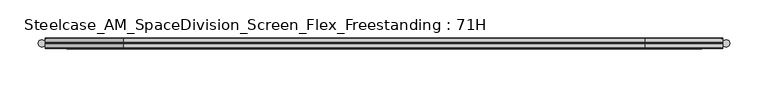
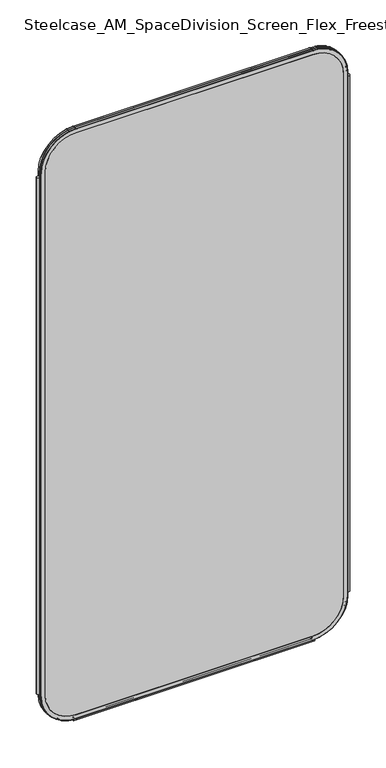
"""IFC4 building model written with IfcOpenShell, lengths in millimetres: furniture geometry, Steelcase_AM_SpaceDivision_Screen_Flex_Freestanding : 71H."""

import ifcopenshell
import ifcopenshell.guid

model = None  # the IFC model being written
_history = None  # IfcOwnerHistory: only IFC2X3 demands one
_inside = {}  # id of a spatial element -> (the spatial element, [elements in it])
_under = {}  # id of a project, library or spatial element -> (it, [spatial elements below it])
_declared = {}  # id of a project -> (the project, [libraries it declares])
_typed = {}  # id of a type object -> (the type object, [elements of that type])
_made_of = {}  # id of a material, layer set ... -> (it, [elements and type objects made of it])


def new_model(schema):
    """Start an empty IFC model of exactly this schema.

    Asked for "IFC4X3", IfcOpenShell would pick the latest addendum, in which some entities
    have other attributes; the version numbers below select the first issue.
    IFC2X3 requires an IfcOwnerHistory on every rooted entity: one is made here for all.
    """
    global model, _history
    if schema == "IFC4X3":
        model = ifcopenshell.file(schema_version=(4, 3, 0, 0))
    else:
        model = ifcopenshell.file(schema=schema)
    _inside.clear()
    _under.clear()
    _declared.clear()
    _typed.clear()
    _made_of.clear()
    _history = None
    if model.schema == "IFC2X3":
        org = make("IfcOrganization", Name="unknown")
        user = make(
            "IfcPersonAndOrganization",
            ThePerson=make("IfcPerson", FamilyName="unknown"),
            TheOrganization=org,
        )
        app = make(
            "IfcApplication",
            ApplicationDeveloper=org,
            Version="unknown",
            ApplicationFullName="unknown",
            ApplicationIdentifier="unknown",
        )
        _history = make(
            "IfcOwnerHistory",
            OwningUser=user,
            OwningApplication=app,
            ChangeAction="ADDED",
            CreationDate=0,
        )
    return model


def make(cls, **values):
    """One entity of the class cls with the attributes given. An attribute that is None is left unset."""
    return model.create_entity(
        cls, **{name: value for name, value in values.items() if value is not None}
    )


def rooted(cls, **values):
    """An entity with a GlobalId (a new one), such as an element, a storey or a relation."""
    return make(cls, GlobalId=ifcopenshell.guid.new(), OwnerHistory=_history, **values)


def si_unit(unit_type, name, prefix=None):
    """IfcSIUnit, for example si_unit("LENGTHUNIT", "METRE", prefix="MILLI")."""
    return make("IfcSIUnit", UnitType=unit_type, Prefix=prefix, Name=name)


def assignment(units):
    """IfcUnitAssignment: the units of a project."""
    return None if units is None else make("IfcUnitAssignment", Units=units)


def point(xyz):
    """IfcCartesianPoint."""
    return None if xyz is None else make("IfcCartesianPoint", Coordinates=xyz)


def direction(xyz):
    """IfcDirection."""
    return None if xyz is None else make("IfcDirection", DirectionRatios=xyz)


def frame(location, z_axis=None, x_axis=None):
    """IfcAxis2Placement3D, a coordinate frame: its origin and axes. An axis left out is left unset."""
    return make(
        "IfcAxis2Placement3D",
        Location=point(location),
        Axis=direction(z_axis),
        RefDirection=direction(x_axis),
    )


def frame_2d(location, x_axis=None):
    """IfcAxis2Placement2D, a coordinate frame in the plane: its origin and x axis."""
    return make(
        "IfcAxis2Placement2D", Location=point(location), RefDirection=direction(x_axis)
    )


def origin():
    """The frame at (0, 0, 0) with its axes left unset."""
    return frame((0.0, 0.0, 0.0))


def place(relative_to, where):
    """IfcLocalPlacement: puts the frame where relative to a parent placement (None: the world)."""
    return make(
        "IfcLocalPlacement", PlacementRelTo=relative_to, RelativePlacement=where
    )


def context(
    kind, dimensions, precision=None, world=None, true_north=None, identifier=None
):
    """IfcGeometricRepresentationContext, for example the 3D "Model" context."""
    return make(
        "IfcGeometricRepresentationContext",
        ContextIdentifier=identifier,
        ContextType=kind,
        CoordinateSpaceDimension=dimensions,
        Precision=precision,
        WorldCoordinateSystem=world,
        TrueNorth=true_north,
    )


def project(units=None, contexts=None):
    """IfcProject with its units and contexts."""
    return rooted(
        "IfcProject",
        Name="project",
        RepresentationContexts=contexts,
        UnitsInContext=assignment(units),
    )


def spatial(cls, under=None, at=None, **own):
    """A site, building, storey or space (cls), placed at a placement, below another one or the project."""
    s = rooted(cls, ObjectPlacement=at, **own)
    if under is not None:
        _under.setdefault(under.id(), (under, []))[1].append(s)
    return s


def polyline(points):
    """IfcPolyline through the points."""
    return make("IfcPolyline", Points=[point(p) for p in points])


def circle_curve(where, radius):
    """IfcCircle in the frame where."""
    return make("IfcCircle", Position=where, Radius=radius)


def ellipse_curve(where, semi_axis1, semi_axis2):
    """IfcEllipse in the frame where."""
    return make(
        "IfcEllipse", Position=where, SemiAxis1=semi_axis1, SemiAxis2=semi_axis2
    )


def trimmed(basis, trim1, trim2, sense, master):
    """IfcTrimmedCurve: the piece of a basis curve between two trims."""
    return make(
        "IfcTrimmedCurve",
        BasisCurve=basis,
        Trim1=trim1,
        Trim2=trim2,
        SenseAgreement=sense,
        MasterRepresentation=master,
    )


def segment(curve, same_sense, transition):
    """IfcCompositeCurveSegment."""
    return make(
        "IfcCompositeCurveSegment",
        Transition=transition,
        SameSense=same_sense,
        ParentCurve=curve,
    )


def composite_curve(segments, self_intersect=None):
    """IfcCompositeCurve: segments joined end to end."""
    return make("IfcCompositeCurve", Segments=segments, SelfIntersect=self_intersect)


def outline(outer, holes=None, kind="AREA"):
    """IfcArbitraryClosedProfileDef: a profile drawn as a closed curve; with holes, ...WithVoids."""
    if holes is None:
        return make("IfcArbitraryClosedProfileDef", ProfileType=kind, OuterCurve=outer)
    return make(
        "IfcArbitraryProfileDefWithVoids",
        ProfileType=kind,
        OuterCurve=outer,
        InnerCurves=holes,
    )


def extrude(swept, where, along, depth):
    """IfcExtrudedAreaSolid: the profile swept, set in the frame where, extruded along a direction by depth."""
    return make(
        "IfcExtrudedAreaSolid",
        SweptArea=swept,
        Position=where,
        ExtrudedDirection=direction(along),
        Depth=depth,
    )


def shape(context_of_items, identifier, shape_type, items):
    """IfcShapeRepresentation: the items that make up one representation, for example the "Body"."""
    return make(
        "IfcShapeRepresentation",
        ContextOfItems=context_of_items,
        RepresentationIdentifier=identifier,
        RepresentationType=shape_type,
        Items=items,
    )


def source(mapping_origin, context_of_items, identifier, shape_type, items):
    """IfcRepresentationMap: a shape defined once, which mapped items show again and again."""
    return make(
        "IfcRepresentationMap",
        MappingOrigin=mapping_origin,
        MappedRepresentation=shape(context_of_items, identifier, shape_type, items),
    )


def transform(
    local_origin,
    x_axis=None,
    y_axis=None,
    z_axis=None,
    scale=None,
    scale2=None,
    scale3=None,
    uniform=True,
):
    """IfcCartesianTransformationOperator3D, or its non-uniform kind. x_axis, y_axis, z_axis: its Axis1, 2, 3."""
    if uniform:
        return make(
            "IfcCartesianTransformationOperator3D",
            Axis1=direction(x_axis),
            Axis2=direction(y_axis),
            LocalOrigin=point(local_origin),
            Scale=scale,
            Axis3=direction(z_axis),
        )
    return make(
        "IfcCartesianTransformationOperator3DnonUniform",
        Axis1=direction(x_axis),
        Axis2=direction(y_axis),
        LocalOrigin=point(local_origin),
        Scale=scale,
        Axis3=direction(z_axis),
        Scale2=scale2,
        Scale3=scale3,
    )


def mapped(mapping_source, mapping_target):
    """IfcMappedItem: shows the shape of a source again, moved by a transform."""
    return make(
        "IfcMappedItem", MappingSource=mapping_source, MappingTarget=mapping_target
    )


def made_of(thing, what):
    """Note that an element or type object is made of a material, layer set ...; save() writes the relation."""
    if what is not None:
        _made_of.setdefault(what.id(), (what, []))[1].append(thing)
    return thing


def element(
    cls,
    number,
    at=None,
    inside=None,
    cuts=None,
    type_object=None,
    material=None,
    context=None,
    identifier="Body",
    shape_type=None,
    held_by="IfcProductDefinitionShape",
    body=None,
    shapes=None,
    **own,
):
    """One element of the class cls, such as IfcWall. Its Tag is "e" and its number.

    at: its placement. inside: the storey or other place that contains it. cuts: it is an
    opening in that element (IfcRelVoidsElement). A single representation is given by context,
    identifier, shape_type and body (its items); several are given by shapes. held_by: the class
    of the entity that holds the representations. save() writes the other relations.
    """
    e = rooted(cls, Tag="e%d" % number, ObjectPlacement=at, **own)
    if body is not None:
        shapes = [shape(context, identifier, shape_type, body)]
    if shapes is not None:
        e.Representation = make(held_by, Representations=shapes)
    if inside is not None:
        _inside.setdefault(inside.id(), (inside, []))[1].append(e)
    if cuts is not None:
        rooted(
            "IfcRelVoidsElement", RelatingBuildingElement=cuts, RelatedOpeningElement=e
        )
    if type_object is not None:
        _typed.setdefault(type_object.id(), (type_object, []))[1].append(e)
    return made_of(e, material)


def aggregate(whole, parts):
    """IfcRelAggregates: a whole, such as a stair, and the parts it consists of."""
    return rooted("IfcRelAggregates", RelatingObject=whole, RelatedObjects=parts)


def save(model, path):
    """Write the relations noted so far, then the file.

    IfcRelAggregates (storeys below a building ...), IfcRelContainedInSpatialStructure (elements
    in a storey), IfcRelDefinesByType, IfcRelAssociatesMaterial and IfcRelDeclares: one each for
    every whole, place, type object, material and project.
    """
    for whole, parts in _under.values():
        aggregate(whole, parts)
    for where, things in _inside.values():
        rooted(
            "IfcRelContainedInSpatialStructure",
            RelatedElements=things,
            RelatingStructure=where,
        )
    for kind, things in _typed.values():
        rooted("IfcRelDefinesByType", RelatedObjects=things, RelatingType=kind)
    for what, things in _made_of.values():
        rooted("IfcRelAssociatesMaterial", RelatedObjects=things, RelatingMaterial=what)
    for by, libraries in _declared.values():
        rooted("IfcRelDeclares", RelatingContext=by, RelatedDefinitions=libraries)
    model.write(path)


def plane_surface(at):
    """IfcPlane: the flat surface through the origin of the frame at, square to its z axis."""
    return make("IfcPlane", Position=at)


def cylinder_surface(at, radius):
    """IfcCylindricalSurface: all points at the distance radius from the z axis of the frame at."""
    return make("IfcCylindricalSurface", Position=at, Radius=radius)


def revolved_surface(curve, axis_point, axis_direction):
    """IfcSurfaceOfRevolution: the curve turned about the line through axis_point along axis_direction."""
    return make(
        "IfcSurfaceOfRevolution",
        SweptCurve=make("IfcArbitraryOpenProfileDef", ProfileType="CURVE", Curve=curve),
        AxisPosition=make("IfcAxis1Placement", Location=point(axis_point), Axis=direction(axis_direction)),
    )


def advanced_brep(points, edges, surfaces, faces):
    """IfcAdvancedBrep: a solid bounded by faces that lie on surfaces and meet in shared edges.

    An edge is (start, end): straight between two places in points (the first is 0);
    or (start, end, curve); or (start, end, curve, False) where it runs against its curve.
    A face is (place in surfaces, loops), or (place, loops, False) where it looks against
    its surface's normal. A loop lists edges by number (the first is 1), with a minus sign
    where the edge is run from its end to its start. The first loop is the outer one.
    """
    corners = [point(p) for p in points]
    vertices = [make("IfcVertexPoint", VertexGeometry=c) for c in corners]
    made = []
    for start, end, *more in edges:
        made.append(
            make(
                "IfcEdgeCurve",
                EdgeStart=vertices[start],
                EdgeEnd=vertices[end],
                EdgeGeometry=more[0] if more else make("IfcPolyline", Points=[corners[start], corners[end]]),
                SameSense=more[1] if len(more) > 1 else True,
            )
        )
    hull = []
    for where, loops, *sense in faces:
        bounds = []
        for j, loop in enumerate(loops):
            ring = [make("IfcOrientedEdge", EdgeElement=made[abs(k) - 1], Orientation=k > 0) for k in loop]
            bounds.append(
                make(
                    "IfcFaceOuterBound" if j == 0 else "IfcFaceBound",
                    Bound=make("IfcEdgeLoop", EdgeList=ring),
                    Orientation=True,
                )
            )
        hull.append(make("IfcAdvancedFace", Bounds=bounds, FaceSurface=surfaces[where], SameSense=sense[0] if sense else True))
    return make("IfcAdvancedBrep", Outer=make("IfcClosedShell", CfsFaces=hull))


def steelcase_am_spacedivision_screen_flex_freestanding_71h_63d7caac(model_context):
    return source(origin(), model_context, "Body", "SolidModel", [
        extrude(outline(composite_curve([segment(trimmed(circle_curve(frame_2d((4.5307839, 0.0)), 4.572), [point((-0.0412161, 0.0))], [point((9.1027839, 0.0))], False, "CARTESIAN"), True, "CONTINUOUS"), segment(trimmed(circle_curve(frame_2d((4.5307839, 0.0)), 4.572), [point((9.1027839, 0.0))], [point((-0.0412161, 0.0))], False, "CARTESIAN"), True, "CONTINUOUS")], self_intersect=False)), frame((0.0, 0.0, 115.57), z_axis=(0.0, 0.0, 1.0), x_axis=(1.0, 0.0, 0.0)), (0.0, 0.0, 1.0), 1572.26),
        extrude(outline(composite_curve([segment(trimmed(circle_curve(frame_2d((898.7749587, 0.0)), 4.572), [point((894.2029587, 0.0))], [point((903.3469587, 0.0))], False, "CARTESIAN"), True, "CONTINUOUS"), segment(trimmed(circle_curve(frame_2d((898.7749587, 0.0)), 4.572), [point((903.3469587, 0.0))], [point((894.2029587, 0.0))], False, "CARTESIAN"), True, "CONTINUOUS")], self_intersect=False)), frame((0.0, 0.0, 115.57), z_axis=(0.0, 0.0, 1.0), x_axis=(1.0, 0.0, 0.0)), (0.0, 0.0, 1.0), 1572.26),
        extrude(outline(composite_curve([segment(trimmed(circle_curve(frame_2d((3.5, 2.4751953)), 2.5), [point((3.5, 4.9751953))], [point((1.4656663, 1.0220998))], False, "CARTESIAN"), True, "CONTINUOUS"), segment(trimmed(circle_curve(frame_2d((0.0, -0.0248047)), 1.8011626), [point((1.4656663, 1.0220998))], [point((-1.4656663, 1.0220998))], True, "CARTESIAN"), True, "CONTINUOUS"), segment(trimmed(circle_curve(frame_2d((-3.5, 2.4751953)), 2.5), [point((-1.4656663, 1.0220998))], [point((-3.5, 4.9751953))], False, "CARTESIAN"), True, "CONTINUOUS"), segment(trimmed(circle_curve(frame_2d((-3.5, 4.4751953)), 0.5), [point((-3.5, 4.9751953))], [point((-3.5, 3.9751953))], False, "CARTESIAN"), True, "CONTINUOUS"), segment(trimmed(circle_curve(frame_2d((-3.5, 2.4751953)), 1.5), [point((-3.5, 3.9751953))], [point((-2.3025096, 1.5718589))], True, "CARTESIAN"), True, "CONTINUOUS"), segment(trimmed(circle_curve(frame_2d((-10.3325937, 7.629417)), 10.0586411), [point((-2.3025096, 1.5718589))], [point((-0.714976, 4.6836248))], True, "CARTESIAN"), True, "CONTINUOUS"), segment(trimmed(circle_curve(frame_2d((0.0, 4.4646339)), 0.7477618), [point((-0.714976, 4.6836248))], [point((0.714976, 4.6836248))], False, "CARTESIAN"), True, "CONTINUOUS"), segment(trimmed(circle_curve(frame_2d((10.3325937, 7.629417)), 10.0586411), [point((0.714976, 4.6836248))], [point((2.3025096, 1.5718589))], True, "CARTESIAN"), True, "CONTINUOUS"), segment(trimmed(circle_curve(frame_2d((3.5, 2.4751953)), 1.5), [point((2.3025096, 1.5718589))], [point((3.5, 3.9751953))], True, "CARTESIAN"), True, "CONTINUOUS"), segment(trimmed(circle_curve(frame_2d((3.5, 4.4751953)), 0.5), [point((3.5, 3.9751953))], [point((3.5, 4.9751953))], False, "CARTESIAN"), True, "CONTINUOUS")], self_intersect=False)), frame((104.1640108, 0.0, 0.0), z_axis=(1.0, 0.0, 0.0), x_axis=(0.0, 1.0, 0.0)), (0.0, 0.0, 1.0), 694.9777209),
        advanced_brep(
        [(9.9273521, 0.0, 1701.8), (9.9273521, 0.0, 106.5996464), (110.7653521, 0.0, 5.7616464), (792.5652086, 0.0, 5.7616464), (893.4032086, 0.0, 106.5996464), (893.4032086, 0.0, 1701.8), (792.5652086, 0.0, 1802.638), (110.7653521, 0.0, 1802.638), (792.5652086, 0.0, 17.6996464), (110.7653521, 0.0, 17.6996464), (21.8653521, 0.0, 106.5996464), (21.8653521, 0.0, 1701.8), (110.7653521, 0.0, 1790.7), (792.5652086, 0.0, 1790.7), (881.4652086, 0.0, 1701.8), (881.4652086, 0.0, 106.5996464), (110.7653521, 0.762, 1803.4), (9.1653521, 0.762, 1701.8), (110.7653521, 6.096, 1803.4), (9.1653521, 6.096, 1701.8), (110.7653521, 6.858, 1802.638), (9.9273521, 6.858, 1701.8), (21.8653521, 6.858, 1701.8), (110.7653521, 6.858, 1790.7), (792.5652086, 0.762, 1803.4), (792.5652086, 6.096, 1803.4), (792.5652086, 6.858, 1802.638), (792.5652086, 6.858, 1790.7), (894.1652086, 0.762, 1701.8), (894.1652086, 6.096, 1701.8), (893.4032086, 6.858, 1701.8), (881.4652086, 6.858, 1701.8), (894.1652086, 0.762, 106.5996464), (894.1652086, 6.096, 106.5996464), (893.4032086, 6.858, 106.5996464), (881.4652086, 6.858, 106.5996464), (792.5652086, 0.762, 4.9996464), (792.5652086, 6.096, 4.9996464), (792.5652086, 6.858, 5.7616464), (792.5652086, 6.858, 17.6996464), (110.7653521, 0.762, 4.9996464), (110.7653521, 6.096, 4.9996464), (110.7653521, 6.858, 5.7616464), (110.7653521, 6.858, 17.6996464), (9.1653521, 0.762, 106.5996464), (9.1653521, 6.096, 106.5996464), (9.9273521, 6.858, 106.5996464), (21.8653521, 6.858, 106.5996464)],
        [
            (0, 1),
            (1, 2, circle_curve(frame((110.7653521, 0.0, 106.5996464), z_axis=(0.0, -1.0, 0.0), x_axis=(0.0, 0.0, -1.0)), 100.838)),
            (2, 3),
            (3, 4, circle_curve(frame((792.5652086, 0.0, 106.5996464), z_axis=(0.0, -1.0, 0.0), x_axis=(1.0, 0.0, 0.0)), 100.838)),
            (4, 5),
            (5, 6, circle_curve(frame((792.5652086, 0.0, 1701.8), z_axis=(0.0, -1.0, 0.0), x_axis=(0.0, 0.0, 1.0)), 100.838)),
            (6, 7),
            (7, 0, circle_curve(frame((110.7653521, 0.0, 1701.8), z_axis=(0.0, -1.0, 0.0), x_axis=(-1.0, 0.0, 0.0)), 100.838)),
            (8, 9),
            (9, 10, circle_curve(frame((110.7653521, 0.0, 106.5996464), z_axis=(0.0, 1.0, 0.0), x_axis=(0.0, 0.0, -1.0)), 88.9)),
            (10, 11),
            (11, 12, circle_curve(frame((110.7653521, 0.0, 1701.8), z_axis=(0.0, 1.0, 0.0), x_axis=(-1.0, 0.0, 0.0)), 88.9)),
            (12, 13),
            (13, 14, circle_curve(frame((792.5652086, 0.0, 1701.8), z_axis=(0.0, 1.0, 0.0), x_axis=(0.0, 0.0, 1.0)), 88.9)),
            (14, 15),
            (15, 8, circle_curve(frame((792.5652086, 0.0, 106.5996464), z_axis=(0.0, 1.0, 0.0), x_axis=(1.0, 0.0, 0.0)), 88.9)),
            (16, 17, circle_curve(frame((110.7653521, 0.762, 1701.8), z_axis=(0.0, -1.0, 0.0), x_axis=(-1.0, 0.0, 0.0)), 101.6)),
            (17, 0, circle_curve(frame((9.9273521, 0.762, 1701.8), z_axis=(0.0, 0.0, 1.0), x_axis=(-1.0, 0.0, 0.0)), 0.762)),
            (7, 16, circle_curve(frame((110.7653521, 0.762, 1802.638), z_axis=(-1.0, 0.0, 0.0), x_axis=(0.0, 0.0, 1.0)), 0.762)),
            (18, 19, circle_curve(frame((110.7653521, 6.096, 1701.8), z_axis=(0.0, -1.0, 0.0), x_axis=(-1.0, 0.0, 0.0)), 101.6)),
            (19, 17),
            (16, 18),
            (20, 21, circle_curve(frame((110.7653521, 6.858, 1701.8), z_axis=(0.0, -1.0, 0.0), x_axis=(-1.0, 0.0, 0.0)), 100.838)),
            (21, 19, circle_curve(frame((9.9273521, 6.096, 1701.8), z_axis=(0.0, 0.0, 1.0), x_axis=(-1.0, 0.0, 0.0)), 0.762)),
            (18, 20, circle_curve(frame((110.7653521, 6.096, 1802.638), z_axis=(-1.0, 0.0, 0.0), x_axis=(0.0, 0.0, 1.0)), 0.762)),
            (11, 22),
            (22, 23, circle_curve(frame((110.7653521, 6.858, 1701.8), z_axis=(0.0, 1.0, 0.0), x_axis=(-1.0, 0.0, 0.0)), 88.9)),
            (23, 12),
            (6, 24, circle_curve(frame((792.5652086, 0.762, 1802.638), z_axis=(-1.0, 0.0, 0.0), x_axis=(0.0, 0.0, 1.0)), 0.762)),
            (24, 16),
            (24, 25),
            (25, 18),
            (25, 26, circle_curve(frame((792.5652086, 6.096, 1802.638), z_axis=(-1.0, 0.0, 0.0), x_axis=(0.0, 0.0, 1.0)), 0.762)),
            (26, 20),
            (23, 27),
            (27, 13),
            (28, 24, circle_curve(frame((792.5652086, 0.762, 1701.8), z_axis=(0.0, -1.0, 0.0), x_axis=(0.0, 0.0, 1.0)), 101.6)),
            (5, 28, circle_curve(frame((893.4032086, 0.762, 1701.8), z_axis=(0.0, 0.0, 1.0), x_axis=(1.0, 0.0, 0.0)), 0.762)),
            (29, 25, circle_curve(frame((792.5652086, 6.096, 1701.8), z_axis=(0.0, -1.0, 0.0), x_axis=(0.0, 0.0, 1.0)), 101.6)),
            (28, 29),
            (30, 26, circle_curve(frame((792.5652086, 6.858, 1701.8), z_axis=(0.0, -1.0, 0.0), x_axis=(0.0, 0.0, 1.0)), 100.838)),
            (29, 30, circle_curve(frame((893.4032086, 6.096, 1701.8), z_axis=(0.0, 0.0, 1.0), x_axis=(1.0, 0.0, 0.0)), 0.762)),
            (27, 31, circle_curve(frame((792.5652086, 6.858, 1701.8), z_axis=(0.0, 1.0, 0.0), x_axis=(0.0, 0.0, 1.0)), 88.9)),
            (31, 14),
            (4, 32, circle_curve(frame((893.4032086, 0.762, 106.5996464), z_axis=(0.0, 0.0, 1.0), x_axis=(1.0, 0.0, 0.0)), 0.762)),
            (32, 28),
            (32, 33),
            (33, 29),
            (33, 34, circle_curve(frame((893.4032086, 6.096, 106.5996464), z_axis=(0.0, 0.0, 1.0), x_axis=(1.0, 0.0, 0.0)), 0.762)),
            (34, 30),
            (31, 35),
            (35, 15),
            (36, 32, circle_curve(frame((792.5652086, 0.762, 106.5996464), z_axis=(0.0, -1.0, 0.0), x_axis=(1.0, 0.0, 0.0)), 101.6)),
            (3, 36, circle_curve(frame((792.5652086, 0.762, 5.7616464), z_axis=(1.0, 0.0, 0.0), x_axis=(0.0, 0.0, -1.0)), 0.762)),
            (37, 33, circle_curve(frame((792.5652086, 6.096, 106.5996464), z_axis=(0.0, -1.0, 0.0), x_axis=(1.0, 0.0, 0.0)), 101.6)),
            (36, 37),
            (38, 34, circle_curve(frame((792.5652086, 6.858, 106.5996464), z_axis=(0.0, -1.0, 0.0), x_axis=(1.0, 0.0, 0.0)), 100.838)),
            (37, 38, circle_curve(frame((792.5652086, 6.096, 5.7616464), z_axis=(1.0, 0.0, 0.0), x_axis=(0.0, 0.0, -1.0)), 0.762)),
            (35, 39, circle_curve(frame((792.5652086, 6.858, 106.5996464), z_axis=(0.0, 1.0, 0.0), x_axis=(1.0, 0.0, 0.0)), 88.9)),
            (39, 8),
            (2, 40, circle_curve(frame((110.7653521, 0.762, 5.7616464), z_axis=(1.0, 0.0, 0.0), x_axis=(0.0, 0.0, -1.0)), 0.762)),
            (40, 36),
            (40, 41),
            (41, 37),
            (41, 42, circle_curve(frame((110.7653521, 6.096, 5.7616464), z_axis=(1.0, 0.0, 0.0), x_axis=(0.0, 0.0, -1.0)), 0.762)),
            (42, 38),
            (39, 43),
            (43, 9),
            (44, 40, circle_curve(frame((110.7653521, 0.762, 106.5996464), z_axis=(0.0, -1.0, 0.0), x_axis=(0.0, 0.0, -1.0)), 101.6)),
            (1, 44, circle_curve(frame((9.9273521, 0.762, 106.5996464), z_axis=(0.0, 0.0, -1.0), x_axis=(-1.0, 0.0, 0.0)), 0.762)),
            (45, 41, circle_curve(frame((110.7653521, 6.096, 106.5996464), z_axis=(0.0, -1.0, 0.0), x_axis=(0.0, 0.0, -1.0)), 101.6)),
            (44, 45),
            (46, 42, circle_curve(frame((110.7653521, 6.858, 106.5996464), z_axis=(0.0, -1.0, 0.0), x_axis=(0.0, 0.0, -1.0)), 100.838)),
            (45, 46, circle_curve(frame((9.9273521, 6.096, 106.5996464), z_axis=(0.0, 0.0, -1.0), x_axis=(-1.0, 0.0, 0.0)), 0.762)),
            (43, 47, circle_curve(frame((110.7653521, 6.858, 106.5996464), z_axis=(0.0, 1.0, 0.0), x_axis=(0.0, 0.0, -1.0)), 88.9)),
            (47, 10),
            (17, 44),
            (19, 45),
            (21, 46),
            (22, 47),
        ],
        [
            plane_surface(frame((21.8653521, 0.0, 106.5996464), z_axis=(0.0, -1.0, 0.0), x_axis=(0.0, 0.0, 1.0))),
            revolved_surface(trimmed(ellipse_curve(frame((9.9273521, 0.762, 1701.8), z_axis=(0.0, 0.0, -1.0), x_axis=(-1.0, 0.0, 0.0)), 0.762, 0.762), [point((9.9273521, 0.0, 1701.8))], [point((9.1653521, 0.762, 1701.8))], True, "CARTESIAN"), (110.7653521, 0.0, 1701.8), (0.0, 1.0, 0.0)),
            cylinder_surface(frame((110.7653521, 0.0, 1701.8), z_axis=(0.0, 1.0, 0.0), x_axis=(-1.0, 0.0, 0.0)), 101.6),
            revolved_surface(trimmed(ellipse_curve(frame((9.9273521, 6.096, 1701.8), z_axis=(0.0, 0.0, -1.0), x_axis=(-1.0, 0.0, 0.0)), 0.762, 0.762), [point((9.1653521, 6.096, 1701.8))], [point((9.9273521, 6.858, 1701.8))], True, "CARTESIAN"), (110.7653521, 0.0, 1701.8), (0.0, 1.0, 0.0)),
            revolved_surface(polyline([(21.865352099999996, 6.858, 1701.8), (21.865352099999996, 0.0, 1701.8)]), (110.7653521, 0.0, 1701.8), (0.0, 1.0, 0.0)),
            cylinder_surface(frame((110.7653521, 0.762, 1802.638), z_axis=(-1.0, 0.0, 0.0), x_axis=(0.0, 0.0, 1.0)), 0.762),
            plane_surface(frame((110.7653521, 0.762, 1803.4), z_axis=(0.0, 0.0, 1.0), x_axis=(1.0, 0.0, 0.0))),
            cylinder_surface(frame((110.7653521, 6.096, 1802.638), z_axis=(-1.0, 0.0, 0.0), x_axis=(0.0, 0.0, 1.0)), 0.762),
            plane_surface(frame((110.7653521, 6.858, 1790.7), z_axis=(0.0, 0.0, -1.0), x_axis=(1.0, 0.0, 0.0))),
            revolved_surface(trimmed(ellipse_curve(frame((792.5652086, 0.762, 1802.638), z_axis=(-1.0, 0.0, 0.0), x_axis=(0.0, 0.0, 1.0)), 0.762, 0.762), [point((792.5652086, 0.0, 1802.638))], [point((792.5652086, 0.762, 1803.4))], True, "CARTESIAN"), (792.5652086, 0.0, 1701.8), (0.0, 1.0, 0.0)),
            cylinder_surface(frame((792.5652086, 0.0, 1701.8), z_axis=(0.0, 1.0, 0.0), x_axis=(0.0, 0.0, 1.0)), 101.6),
            revolved_surface(trimmed(ellipse_curve(frame((792.5652086, 6.096, 1802.638), z_axis=(-1.0, 0.0, 0.0), x_axis=(0.0, 0.0, 1.0)), 0.762, 0.762), [point((792.5652086, 6.096, 1803.4))], [point((792.5652086, 6.858, 1802.638))], True, "CARTESIAN"), (792.5652086, 0.0, 1701.8), (0.0, 1.0, 0.0)),
            revolved_surface(polyline([(792.5652086, 6.858, 1790.7), (792.5652086, 0.0, 1790.7)]), (792.5652086, 0.0, 1701.8), (0.0, 1.0, 0.0)),
            cylinder_surface(frame((893.4032086, 0.762, 1701.8), z_axis=(0.0, 0.0, 1.0), x_axis=(1.0, 0.0, 0.0)), 0.762),
            plane_surface(frame((894.1652086, 0.762, 1701.8), z_axis=(1.0, 0.0, 0.0), x_axis=(0.0, 0.0, -1.0))),
            cylinder_surface(frame((893.4032086, 6.096, 1701.8), z_axis=(0.0, 0.0, 1.0), x_axis=(1.0, 0.0, 0.0)), 0.762),
            plane_surface(frame((881.4652086, 6.858, 1701.8), z_axis=(-1.0, 0.0, 0.0), x_axis=(0.0, 0.0, -1.0))),
            revolved_surface(trimmed(ellipse_curve(frame((893.4032086, 0.762, 106.5996464), z_axis=(0.0, 0.0, 1.0), x_axis=(1.0, 0.0, 0.0)), 0.762, 0.762), [point((893.4032086, 0.0, 106.5996464))], [point((894.1652086, 0.762, 106.5996464))], True, "CARTESIAN"), (792.5652086, 0.0, 106.5996464), (0.0, 1.0, 0.0)),
            cylinder_surface(frame((792.5652086, 0.0, 106.5996464), z_axis=(0.0, 1.0, 0.0), x_axis=(1.0, 0.0, 0.0)), 101.6),
            revolved_surface(trimmed(ellipse_curve(frame((893.4032086, 6.096, 106.5996464), z_axis=(0.0, 0.0, 1.0), x_axis=(1.0, 0.0, 0.0)), 0.762, 0.762), [point((894.1652086, 6.096, 106.5996464))], [point((893.4032086, 6.858, 106.5996464))], True, "CARTESIAN"), (792.5652086, 0.0, 106.5996464), (0.0, 1.0, 0.0)),
            revolved_surface(polyline([(881.4652086, 6.858, 106.5996464), (881.4652086, 0.0, 106.5996464)]), (792.5652086, 0.0, 106.5996464), (0.0, 1.0, 0.0)),
            cylinder_surface(frame((792.5652086, 0.762, 5.7616464), z_axis=(1.0, 0.0, 0.0), x_axis=(0.0, 0.0, -1.0)), 0.762),
            plane_surface(frame((792.5652086, 0.762, 4.9996464), z_axis=(0.0, 0.0, -1.0), x_axis=(-1.0, 0.0, 0.0))),
            cylinder_surface(frame((792.5652086, 6.096, 5.7616464), z_axis=(1.0, 0.0, 0.0), x_axis=(0.0, 0.0, -1.0)), 0.762),
            plane_surface(frame((792.5652086, 6.858, 17.6996464), z_axis=(0.0, 0.0, 1.0), x_axis=(-1.0, 0.0, 0.0))),
            revolved_surface(trimmed(ellipse_curve(frame((110.7653521, 0.762, 5.7616464), z_axis=(1.0, 0.0, 0.0), x_axis=(0.0, 0.0, -1.0)), 0.762, 0.762), [point((110.7653521, 0.0, 5.7616464))], [point((110.7653521, 0.762, 4.9996464))], True, "CARTESIAN"), (110.7653521, 0.0, 106.5996464), (0.0, 1.0, 0.0)),
            cylinder_surface(frame((110.7653521, 0.0, 106.5996464), z_axis=(0.0, 1.0, 0.0), x_axis=(0.0, 0.0, -1.0)), 101.6),
            revolved_surface(trimmed(ellipse_curve(frame((110.7653521, 6.096, 5.7616464), z_axis=(1.0, 0.0, 0.0), x_axis=(0.0, 0.0, -1.0)), 0.762, 0.762), [point((110.7653521, 6.096, 4.9996464))], [point((110.7653521, 6.858, 5.7616464))], True, "CARTESIAN"), (110.7653521, 0.0, 106.5996464), (0.0, 1.0, 0.0)),
            revolved_surface(polyline([(110.7653521, 6.858, 17.699646399999992), (110.7653521, 0.0, 17.699646399999992)]), (110.7653521, 0.0, 106.5996464), (0.0, 1.0, 0.0)),
            cylinder_surface(frame((9.9273521, 0.762, 106.5996464), z_axis=(0.0, 0.0, -1.0), x_axis=(-1.0, 0.0, 0.0)), 0.762),
            plane_surface(frame((9.1653521, 0.762, 106.5996464), z_axis=(-1.0, 0.0, 0.0), x_axis=(0.0, 0.0, 1.0))),
            cylinder_surface(frame((9.9273521, 6.096, 106.5996464), z_axis=(0.0, 0.0, -1.0), x_axis=(-1.0, 0.0, 0.0)), 0.762),
            plane_surface(frame((9.9273521, 6.858, 106.5996464), z_axis=(0.0, 1.0, 0.0), x_axis=(0.0, 0.0, 1.0))),
            plane_surface(frame((21.8653521, 6.858, 106.5996464), z_axis=(1.0, 0.0, 0.0), x_axis=(0.0, 0.0, 1.0))),
        ],
        [
            (0, [[1, 2, 3, 4, 5, 6, 7, 8], [9, 10, 11, 12, 13, 14, 15, 16]]),
            (1, [[17, 18, -8, 19]]),
            (2, [[20, 21, -17, 22]]),
            (3, [[23, 24, -20, 25]]),
            (4, [[-12, 26, 27, 28]]),
            (5, [[-19, -7, 29, 30]]),
            (6, [[-22, -30, 31, 32]]),
            (7, [[-25, -32, 33, 34]]),
            (8, [[-28, 35, 36, -13]]),
            (9, [[37, -29, -6, 38]]),
            (10, [[39, -31, -37, 40]]),
            (11, [[41, -33, -39, 42]]),
            (12, [[-14, -36, 43, 44]]),
            (13, [[-38, -5, 45, 46]]),
            (14, [[-40, -46, 47, 48]]),
            (15, [[-42, -48, 49, 50]]),
            (16, [[-44, 51, 52, -15]]),
            (17, [[53, -45, -4, 54]]),
            (18, [[55, -47, -53, 56]]),
            (19, [[57, -49, -55, 58]]),
            (20, [[-16, -52, 59, 60]]),
            (21, [[-54, -3, 61, 62]]),
            (22, [[-56, -62, 63, 64]]),
            (23, [[-58, -64, 65, 66]]),
            (24, [[-60, 67, 68, -9]]),
            (25, [[69, -61, -2, 70]]),
            (26, [[71, -63, -69, 72]]),
            (27, [[73, -65, -71, 74]]),
            (28, [[-10, -68, 75, 76]]),
            (29, [[-70, -1, -18, 77]]),
            (30, [[-72, -77, -21, 78]]),
            (31, [[-74, -78, -24, 79]]),
            (32, [[-66, -73, -79, -23, -34, -41, -50, -57], [80, -75, -67, -59, -51, -43, -35, -27]]),
            (33, [[-76, -80, -26, -11]]),
        ],
    ),
        extrude(outline(composite_curve([segment(polyline([(1790.7, 792.5652086), (1790.7, 110.7653521)]), True, "CONTINUOUS"), segment(trimmed(circle_curve(frame_2d((1701.8, 110.7653521)), 88.9), [point((1790.7, 110.7653521))], [point((1701.8, 21.8653521))], False, "CARTESIAN"), True, "CONTINUOUS"), segment(polyline([(1701.8, 21.8653521), (106.5996464, 21.8653521)]), True, "CONTINUOUS"), segment(trimmed(circle_curve(frame_2d((106.5996464, 110.7653521)), 88.9), [point((106.5996464, 21.8653521))], [point((17.6996464, 110.7653521))], False, "CARTESIAN"), True, "CONTINUOUS"), segment(polyline([(17.6996464, 110.7653521), (17.6996464, 792.5652086)]), True, "CONTINUOUS"), segment(trimmed(circle_curve(frame_2d((106.5996464, 792.5652086)), 88.9), [point((17.6996464, 792.5652086))], [point((106.5996464, 881.4652086))], False, "CARTESIAN"), True, "CONTINUOUS"), segment(polyline([(106.5996464, 881.4652086), (1701.8, 881.4652086)]), True, "CONTINUOUS"), segment(trimmed(circle_curve(frame_2d((1701.8, 792.5652086)), 88.9), [point((1701.8, 881.4652086))], [point((1790.7, 792.5652086))], False, "CARTESIAN"), True, "CONTINUOUS")], self_intersect=False)), frame((0.0, 0.0, 0.0), z_axis=(0.0, 1.0, 0.0), x_axis=(0.0, 0.0, 1.0)), (0.0, 0.0, 1.0), 6.858),
        advanced_brep(
        [(110.7653521, -6.858, 1790.7), (21.8653521, -6.858, 1701.8), (21.8653521, 0.0, 1701.8), (110.7653521, 0.0, 1790.7), (110.7653521, -6.096, 1803.4), (9.1653521, -6.096, 1701.8), (9.9273521, -6.858, 1701.8), (110.7653521, -6.858, 1802.638), (110.7653521, -0.762, 1803.4), (9.1653521, -0.762, 1701.8), (110.7653521, 0.0, 1802.638), (9.9273521, 0.0, 1701.8), (792.5652086, 0.0, 1790.7), (792.5652086, -6.858, 1790.7), (792.5652086, -6.858, 1802.638), (792.5652086, -6.096, 1803.4), (792.5652086, -0.762, 1803.4), (792.5652086, 0.0, 1802.638), (881.4652086, -6.858, 1701.8), (881.4652086, 0.0, 1701.8), (894.1652086, -6.096, 1701.8), (893.4032086, -6.858, 1701.8), (894.1652086, -0.762, 1701.8), (893.4032086, 0.0, 1701.8), (881.4652086, 0.0, 106.5996464), (881.4652086, -6.858, 106.5996464), (893.4032086, -6.858, 106.5996464), (894.1652086, -6.096, 106.5996464), (894.1652086, -0.762, 106.5996464), (893.4032086, 0.0, 106.5996464), (792.5652086, -6.858, 17.6996464), (792.5652086, 0.0, 17.6996464), (792.5652086, -6.096, 4.9996464), (792.5652086, -6.858, 5.7616464), (792.5652086, -0.762, 4.9996464), (792.5652086, 0.0, 5.7616464), (110.7653521, 0.0, 17.6996464), (110.7653521, -6.858, 17.6996464), (110.7653521, -6.858, 5.7616464), (110.7653521, -6.096, 4.9996464), (110.7653521, -0.762, 4.9996464), (110.7653521, 0.0, 5.7616464), (21.8653521, -6.858, 106.5996464), (21.8653521, 0.0, 106.5996464), (9.1653521, -6.096, 106.5996464), (9.9273521, -6.858, 106.5996464), (9.1653521, -0.762, 106.5996464), (9.9273521, 0.0, 106.5996464)],
        [
            (0, 1, circle_curve(frame((110.7653521, -6.858, 1701.8), z_axis=(0.0, -1.0, 0.0), x_axis=(-1.0, 0.0, 0.0)), 88.9)),
            (1, 2),
            (2, 3, circle_curve(frame((110.7653521, 0.0, 1701.8), z_axis=(0.0, 1.0, 0.0), x_axis=(-1.0, 0.0, 0.0)), 88.9)),
            (3, 0),
            (4, 5, circle_curve(frame((110.7653521, -6.096, 1701.8), z_axis=(0.0, -1.0, 0.0), x_axis=(-1.0, 0.0, 0.0)), 101.6)),
            (5, 6, circle_curve(frame((9.9273521, -6.096, 1701.8), z_axis=(0.0, 0.0, 1.0), x_axis=(-1.0, 0.0, 0.0)), 0.762)),
            (6, 7, circle_curve(frame((110.7653521, -6.858, 1701.8), z_axis=(0.0, 1.0, 0.0), x_axis=(-1.0, 0.0, 0.0)), 100.838)),
            (7, 4, circle_curve(frame((110.7653521, -6.096, 1802.638), z_axis=(-1.0, 0.0, 0.0), x_axis=(0.0, 0.0, 1.0)), 0.762)),
            (8, 9, circle_curve(frame((110.7653521, -0.762, 1701.8), z_axis=(0.0, -1.0, 0.0), x_axis=(-1.0, 0.0, 0.0)), 101.6)),
            (9, 5),
            (4, 8),
            (10, 11, circle_curve(frame((110.7653521, 0.0, 1701.8), z_axis=(0.0, -1.0, 0.0), x_axis=(-1.0, 0.0, 0.0)), 100.838)),
            (11, 9, circle_curve(frame((9.9273521, -0.762, 1701.8), z_axis=(0.0, 0.0, 1.0), x_axis=(-1.0, 0.0, 0.0)), 0.762)),
            (8, 10, circle_curve(frame((110.7653521, -0.762, 1802.638), z_axis=(-1.0, 0.0, 0.0), x_axis=(0.0, 0.0, 1.0)), 0.762)),
            (3, 12),
            (12, 13),
            (13, 0),
            (7, 14),
            (14, 15, circle_curve(frame((792.5652086, -6.096, 1802.638), z_axis=(-1.0, 0.0, 0.0), x_axis=(0.0, 0.0, 1.0)), 0.762)),
            (15, 4),
            (15, 16),
            (16, 8),
            (16, 17, circle_curve(frame((792.5652086, -0.762, 1802.638), z_axis=(-1.0, 0.0, 0.0), x_axis=(0.0, 0.0, 1.0)), 0.762)),
            (17, 10),
            (18, 13, circle_curve(frame((792.5652086, -6.858, 1701.8), z_axis=(0.0, -1.0, 0.0), x_axis=(0.0, 0.0, 1.0)), 88.9)),
            (12, 19, circle_curve(frame((792.5652086, 0.0, 1701.8), z_axis=(0.0, 1.0, 0.0), x_axis=(0.0, 0.0, 1.0)), 88.9)),
            (19, 18),
            (20, 15, circle_curve(frame((792.5652086, -6.096, 1701.8), z_axis=(0.0, -1.0, 0.0), x_axis=(0.0, 0.0, 1.0)), 101.6)),
            (14, 21, circle_curve(frame((792.5652086, -6.858, 1701.8), z_axis=(0.0, 1.0, 0.0), x_axis=(0.0, 0.0, 1.0)), 100.838)),
            (21, 20, circle_curve(frame((893.4032086, -6.096, 1701.8), z_axis=(0.0, 0.0, 1.0), x_axis=(1.0, 0.0, 0.0)), 0.762)),
            (22, 16, circle_curve(frame((792.5652086, -0.762, 1701.8), z_axis=(0.0, -1.0, 0.0), x_axis=(0.0, 0.0, 1.0)), 101.6)),
            (20, 22),
            (23, 17, circle_curve(frame((792.5652086, 0.0, 1701.8), z_axis=(0.0, -1.0, 0.0), x_axis=(0.0, 0.0, 1.0)), 100.838)),
            (22, 23, circle_curve(frame((893.4032086, -0.762, 1701.8), z_axis=(0.0, 0.0, 1.0), x_axis=(1.0, 0.0, 0.0)), 0.762)),
            (19, 24),
            (24, 25),
            (25, 18),
            (21, 26),
            (26, 27, circle_curve(frame((893.4032086, -6.096, 106.5996464), z_axis=(0.0, 0.0, 1.0), x_axis=(1.0, 0.0, 0.0)), 0.762)),
            (27, 20),
            (27, 28),
            (28, 22),
            (28, 29, circle_curve(frame((893.4032086, -0.762, 106.5996464), z_axis=(0.0, 0.0, 1.0), x_axis=(1.0, 0.0, 0.0)), 0.762)),
            (29, 23),
            (30, 25, circle_curve(frame((792.5652086, -6.858, 106.5996464), z_axis=(0.0, -1.0, 0.0), x_axis=(1.0, 0.0, 0.0)), 88.9)),
            (24, 31, circle_curve(frame((792.5652086, 0.0, 106.5996464), z_axis=(0.0, 1.0, 0.0), x_axis=(1.0, 0.0, 0.0)), 88.9)),
            (31, 30),
            (32, 27, circle_curve(frame((792.5652086, -6.096, 106.5996464), z_axis=(0.0, -1.0, 0.0), x_axis=(1.0, 0.0, 0.0)), 101.6)),
            (26, 33, circle_curve(frame((792.5652086, -6.858, 106.5996464), z_axis=(0.0, 1.0, 0.0), x_axis=(1.0, 0.0, 0.0)), 100.838)),
            (33, 32, circle_curve(frame((792.5652086, -6.096, 5.7616464), z_axis=(1.0, 0.0, 0.0), x_axis=(0.0, 0.0, -1.0)), 0.762)),
            (34, 28, circle_curve(frame((792.5652086, -0.762, 106.5996464), z_axis=(0.0, -1.0, 0.0), x_axis=(1.0, 0.0, 0.0)), 101.6)),
            (32, 34),
            (35, 29, circle_curve(frame((792.5652086, 0.0, 106.5996464), z_axis=(0.0, -1.0, 0.0), x_axis=(1.0, 0.0, 0.0)), 100.838)),
            (34, 35, circle_curve(frame((792.5652086, -0.762, 5.7616464), z_axis=(1.0, 0.0, 0.0), x_axis=(0.0, 0.0, -1.0)), 0.762)),
            (31, 36),
            (36, 37),
            (37, 30),
            (33, 38),
            (38, 39, circle_curve(frame((110.7653521, -6.096, 5.7616464), z_axis=(1.0, 0.0, 0.0), x_axis=(0.0, 0.0, -1.0)), 0.762)),
            (39, 32),
            (39, 40),
            (40, 34),
            (40, 41, circle_curve(frame((110.7653521, -0.762, 5.7616464), z_axis=(1.0, 0.0, 0.0), x_axis=(0.0, 0.0, -1.0)), 0.762)),
            (41, 35),
            (42, 37, circle_curve(frame((110.7653521, -6.858, 106.5996464), z_axis=(0.0, -1.0, 0.0), x_axis=(0.0, 0.0, -1.0)), 88.9)),
            (36, 43, circle_curve(frame((110.7653521, 0.0, 106.5996464), z_axis=(0.0, 1.0, 0.0), x_axis=(0.0, 0.0, -1.0)), 88.9)),
            (43, 42),
            (44, 39, circle_curve(frame((110.7653521, -6.096, 106.5996464), z_axis=(0.0, -1.0, 0.0), x_axis=(0.0, 0.0, -1.0)), 101.6)),
            (38, 45, circle_curve(frame((110.7653521, -6.858, 106.5996464), z_axis=(0.0, 1.0, 0.0), x_axis=(0.0, 0.0, -1.0)), 100.838)),
            (45, 44, circle_curve(frame((9.9273521, -6.096, 106.5996464), z_axis=(0.0, 0.0, -1.0), x_axis=(-1.0, 0.0, 0.0)), 0.762)),
            (46, 40, circle_curve(frame((110.7653521, -0.762, 106.5996464), z_axis=(0.0, -1.0, 0.0), x_axis=(0.0, 0.0, -1.0)), 101.6)),
            (44, 46),
            (47, 41, circle_curve(frame((110.7653521, 0.0, 106.5996464), z_axis=(0.0, -1.0, 0.0), x_axis=(0.0, 0.0, -1.0)), 100.838)),
            (46, 47, circle_curve(frame((9.9273521, -0.762, 106.5996464), z_axis=(0.0, 0.0, -1.0), x_axis=(-1.0, 0.0, 0.0)), 0.762)),
            (43, 2),
            (1, 42),
            (6, 45),
            (5, 44),
            (9, 46),
            (11, 47),
        ],
        [
            revolved_surface(polyline([(21.865352099999996, 0.0, 1701.8), (21.865352099999996, -6.858, 1701.8)]), (110.7653521, 0.0, 1701.8), (0.0, 1.0, 0.0)),
            revolved_surface(trimmed(ellipse_curve(frame((9.9273521, -6.096, 1701.8), z_axis=(0.0, 0.0, -1.0), x_axis=(-1.0, 0.0, 0.0)), 0.762, 0.762), [point((9.9273521, -6.858, 1701.8))], [point((9.1653521, -6.096, 1701.8))], True, "CARTESIAN"), (110.7653521, 0.0, 1701.8), (0.0, 1.0, 0.0)),
            cylinder_surface(frame((110.7653521, 0.0, 1701.8), z_axis=(0.0, 1.0, 0.0), x_axis=(-1.0, 0.0, 0.0)), 101.6),
            revolved_surface(trimmed(ellipse_curve(frame((9.9273521, -0.762, 1701.8), z_axis=(0.0, 0.0, -1.0), x_axis=(-1.0, 0.0, 0.0)), 0.762, 0.762), [point((9.1653521, -0.762, 1701.8))], [point((9.9273521, 0.0, 1701.8))], True, "CARTESIAN"), (110.7653521, 0.0, 1701.8), (0.0, 1.0, 0.0)),
            plane_surface(frame((110.7653521, 0.0, 1790.7), z_axis=(0.0, 0.0, -1.0), x_axis=(1.0, 0.0, 0.0))),
            cylinder_surface(frame((110.7653521, -6.096, 1802.638), z_axis=(-1.0, 0.0, 0.0), x_axis=(0.0, 0.0, 1.0)), 0.762),
            plane_surface(frame((110.7653521, -6.096, 1803.4), z_axis=(0.0, 0.0, 1.0), x_axis=(1.0, 0.0, 0.0))),
            cylinder_surface(frame((110.7653521, -0.762, 1802.638), z_axis=(-1.0, 0.0, 0.0), x_axis=(0.0, 0.0, 1.0)), 0.762),
            revolved_surface(polyline([(792.5652086, 0.0, 1790.7), (792.5652086, -6.858, 1790.7)]), (792.5652086, 0.0, 1701.8), (0.0, 1.0, 0.0)),
            revolved_surface(trimmed(ellipse_curve(frame((792.5652086, -6.096, 1802.638), z_axis=(-1.0, 0.0, 0.0), x_axis=(0.0, 0.0, 1.0)), 0.762, 0.762), [point((792.5652086, -6.858, 1802.638))], [point((792.5652086, -6.096, 1803.4))], True, "CARTESIAN"), (792.5652086, 0.0, 1701.8), (0.0, 1.0, 0.0)),
            cylinder_surface(frame((792.5652086, 0.0, 1701.8), z_axis=(0.0, 1.0, 0.0), x_axis=(0.0, 0.0, 1.0)), 101.6),
            revolved_surface(trimmed(ellipse_curve(frame((792.5652086, -0.762, 1802.638), z_axis=(-1.0, 0.0, 0.0), x_axis=(0.0, 0.0, 1.0)), 0.762, 0.762), [point((792.5652086, -0.762, 1803.4))], [point((792.5652086, 0.0, 1802.638))], True, "CARTESIAN"), (792.5652086, 0.0, 1701.8), (0.0, 1.0, 0.0)),
            plane_surface(frame((881.4652086, 0.0, 1701.8), z_axis=(-1.0, 0.0, 0.0), x_axis=(0.0, 0.0, -1.0))),
            cylinder_surface(frame((893.4032086, -6.096, 1701.8), z_axis=(0.0, 0.0, 1.0), x_axis=(1.0, 0.0, 0.0)), 0.762),
            plane_surface(frame((894.1652086, -6.096, 1701.8), z_axis=(1.0, 0.0, 0.0), x_axis=(0.0, 0.0, -1.0))),
            cylinder_surface(frame((893.4032086, -0.762, 1701.8), z_axis=(0.0, 0.0, 1.0), x_axis=(1.0, 0.0, 0.0)), 0.762),
            revolved_surface(polyline([(881.4652086, 0.0, 106.5996464), (881.4652086, -6.858, 106.5996464)]), (792.5652086, 0.0, 106.5996464), (0.0, 1.0, 0.0)),
            revolved_surface(trimmed(ellipse_curve(frame((893.4032086, -6.096, 106.5996464), z_axis=(0.0, 0.0, 1.0), x_axis=(1.0, 0.0, 0.0)), 0.762, 0.762), [point((893.4032086, -6.858, 106.5996464))], [point((894.1652086, -6.096, 106.5996464))], True, "CARTESIAN"), (792.5652086, 0.0, 106.5996464), (0.0, 1.0, 0.0)),
            cylinder_surface(frame((792.5652086, 0.0, 106.5996464), z_axis=(0.0, 1.0, 0.0), x_axis=(1.0, 0.0, 0.0)), 101.6),
            revolved_surface(trimmed(ellipse_curve(frame((893.4032086, -0.762, 106.5996464), z_axis=(0.0, 0.0, 1.0), x_axis=(1.0, 0.0, 0.0)), 0.762, 0.762), [point((894.1652086, -0.762, 106.5996464))], [point((893.4032086, 0.0, 106.5996464))], True, "CARTESIAN"), (792.5652086, 0.0, 106.5996464), (0.0, 1.0, 0.0)),
            plane_surface(frame((792.5652086, 0.0, 17.6996464), z_axis=(0.0, 0.0, 1.0), x_axis=(-1.0, 0.0, 0.0))),
            cylinder_surface(frame((792.5652086, -6.096, 5.7616464), z_axis=(1.0, 0.0, 0.0), x_axis=(0.0, 0.0, -1.0)), 0.762),
            plane_surface(frame((792.5652086, -6.096, 4.9996464), z_axis=(0.0, 0.0, -1.0), x_axis=(-1.0, 0.0, 0.0))),
            cylinder_surface(frame((792.5652086, -0.762, 5.7616464), z_axis=(1.0, 0.0, 0.0), x_axis=(0.0, 0.0, -1.0)), 0.762),
            revolved_surface(polyline([(110.7653521, 0.0, 17.699646399999992), (110.7653521, -6.858, 17.699646399999992)]), (110.7653521, 0.0, 106.5996464), (0.0, 1.0, 0.0)),
            revolved_surface(trimmed(ellipse_curve(frame((110.7653521, -6.096, 5.7616464), z_axis=(1.0, 0.0, 0.0), x_axis=(0.0, 0.0, -1.0)), 0.762, 0.762), [point((110.7653521, -6.858, 5.7616464))], [point((110.7653521, -6.096, 4.9996464))], True, "CARTESIAN"), (110.7653521, 0.0, 106.5996464), (0.0, 1.0, 0.0)),
            cylinder_surface(frame((110.7653521, 0.0, 106.5996464), z_axis=(0.0, 1.0, 0.0), x_axis=(0.0, 0.0, -1.0)), 101.6),
            revolved_surface(trimmed(ellipse_curve(frame((110.7653521, -0.762, 5.7616464), z_axis=(1.0, 0.0, 0.0), x_axis=(0.0, 0.0, -1.0)), 0.762, 0.762), [point((110.7653521, -0.762, 4.9996464))], [point((110.7653521, 0.0, 5.7616464))], True, "CARTESIAN"), (110.7653521, 0.0, 106.5996464), (0.0, 1.0, 0.0)),
            plane_surface(frame((21.8653521, 0.0, 106.5996464), z_axis=(1.0, 0.0, 0.0), x_axis=(0.0, 0.0, 1.0))),
            plane_surface(frame((21.8653521, -6.858, 106.5996464), z_axis=(0.0, -1.0, 0.0), x_axis=(0.0, 0.0, 1.0))),
            cylinder_surface(frame((9.9273521, -6.096, 106.5996464), z_axis=(0.0, 0.0, -1.0), x_axis=(-1.0, 0.0, 0.0)), 0.762),
            plane_surface(frame((9.1653521, -6.096, 106.5996464), z_axis=(-1.0, 0.0, 0.0), x_axis=(0.0, 0.0, 1.0))),
            cylinder_surface(frame((9.9273521, -0.762, 106.5996464), z_axis=(0.0, 0.0, -1.0), x_axis=(-1.0, 0.0, 0.0)), 0.762),
            plane_surface(frame((9.9273521, 0.0, 106.5996464), z_axis=(0.0, 1.0, 0.0), x_axis=(0.0, 0.0, 1.0))),
        ],
        [
            (0, [[1, 2, 3, 4]]),
            (1, [[5, 6, 7, 8]]),
            (2, [[9, 10, -5, 11]]),
            (3, [[12, 13, -9, 14]]),
            (4, [[-4, 15, 16, 17]]),
            (5, [[-8, 18, 19, 20]]),
            (6, [[-11, -20, 21, 22]]),
            (7, [[-14, -22, 23, 24]]),
            (8, [[25, -16, 26, 27]]),
            (9, [[28, -19, 29, 30]]),
            (10, [[31, -21, -28, 32]]),
            (11, [[33, -23, -31, 34]]),
            (12, [[-27, 35, 36, 37]]),
            (13, [[-30, 38, 39, 40]]),
            (14, [[-32, -40, 41, 42]]),
            (15, [[-34, -42, 43, 44]]),
            (16, [[45, -36, 46, 47]]),
            (17, [[48, -39, 49, 50]]),
            (18, [[51, -41, -48, 52]]),
            (19, [[53, -43, -51, 54]]),
            (20, [[-47, 55, 56, 57]]),
            (21, [[-50, 58, 59, 60]]),
            (22, [[-52, -60, 61, 62]]),
            (23, [[-54, -62, 63, 64]]),
            (24, [[65, -56, 66, 67]]),
            (25, [[68, -59, 69, 70]]),
            (26, [[71, -61, -68, 72]]),
            (27, [[73, -63, -71, 74]]),
            (28, [[-67, 75, -2, 76]]),
            (29, [[77, -69, -58, -49, -38, -29, -18, -7], [-57, -65, -76, -1, -17, -25, -37, -45]]),
            (30, [[-70, -77, -6, 78]]),
            (31, [[-72, -78, -10, 79]]),
            (32, [[-74, -79, -13, 80]]),
            (33, [[-64, -73, -80, -12, -24, -33, -44, -53], [-75, -66, -55, -46, -35, -26, -15, -3]]),
        ],
    ),
        extrude(outline(composite_curve([segment(polyline([(1790.7, 792.5652086), (1790.7, 110.7653521)]), True, "CONTINUOUS"), segment(trimmed(circle_curve(frame_2d((1701.8, 110.7653521)), 88.9), [point((1790.7, 110.7653521))], [point((1701.8, 21.8653521))], False, "CARTESIAN"), True, "CONTINUOUS"), segment(polyline([(1701.8, 21.8653521), (106.5996464, 21.8653521)]), True, "CONTINUOUS"), segment(trimmed(circle_curve(frame_2d((106.5996464, 110.7653521)), 88.9), [point((106.5996464, 21.8653521))], [point((17.6996464, 110.7653521))], False, "CARTESIAN"), True, "CONTINUOUS"), segment(polyline([(17.6996464, 110.7653521), (17.6996464, 792.5652086)]), True, "CONTINUOUS"), segment(trimmed(circle_curve(frame_2d((106.5996464, 792.5652086)), 88.9), [point((17.6996464, 792.5652086))], [point((106.5996464, 881.4652086))], False, "CARTESIAN"), True, "CONTINUOUS"), segment(polyline([(106.5996464, 881.4652086), (1701.8, 881.4652086)]), True, "CONTINUOUS"), segment(trimmed(circle_curve(frame_2d((1701.8, 792.5652086)), 88.9), [point((1701.8, 881.4652086))], [point((1790.7, 792.5652086))], False, "CARTESIAN"), True, "CONTINUOUS")], self_intersect=False)), frame((0.0, -6.858, 0.0), z_axis=(0.0, 1.0, 0.0), x_axis=(0.0, 0.0, 1.0)), (0.0, 0.0, 1.0), 6.858),
    ])


if __name__ == "__main__":
    model = new_model("IFC4")
    model_context = context("Model", 3, world=origin())
    ifc_project = project(units=[si_unit("LENGTHUNIT", "METRE", prefix="MILLI")], contexts=[model_context])
    site = spatial("IfcSite", under=ifc_project)
    building = spatial("IfcBuilding", under=site)
    placement = place(None, origin())
    steelcase_am_spacedivision_screen_flex_freestanding_71h_shape = steelcase_am_spacedivision_screen_flex_freestanding_71h_63d7caac(model_context)
    element("IfcFurniture", 1, ObjectType="Steelcase_AM_SpaceDivision_Screen_Flex_Freestanding : 71H", at=placement, inside=building, context=model_context, shape_type="MappedRepresentation", body=[
        mapped(steelcase_am_spacedivision_screen_flex_freestanding_71h_shape, transform((0.0, 0.0, 0.0), x_axis=(1.0, 0.0, 0.0), y_axis=(0.0, 1.0, 0.0), z_axis=(0.0, 0.0, 1.0))),
    ])
    save(model, "model.ifc")
